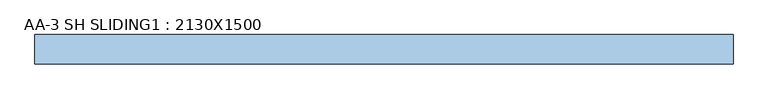
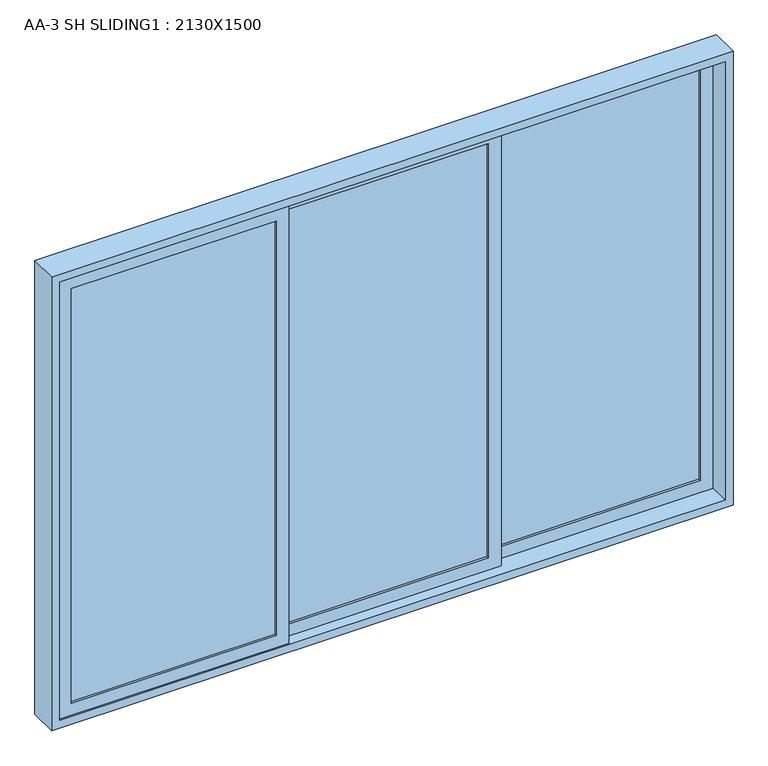
"""IFC4 building model written with IfcOpenShell, lengths in millimetres: window geometry, AA-3 SH SLIDING1 : 2130X1500."""

from ifc_helpers import new_model, si_unit, frame, origin, place, context, project, spatial, polyline, outline, extrude, source, transform, mapped, element, save


def aa_3_sh_sliding1_2130x1500_aed64d5e(model_context):
    return source(origin(), model_context, "Body", "SweptSolid", [
        extrude(outline(polyline([(920.0, 33.0), (920.0, 27.0), (280.0, 27.0), (280.0, 33.0), (920.0, 33.0)])), frame((0.0, 0.0, 965.0), z_axis=(0.0, 0.0, 1.0), x_axis=(1.0, 0.0, 0.0)), (0.0, 0.0, 1.0), 1370.0),
        extrude(outline(polyline([(240.0, 3.0), (240.0, -3.0), (-400.0, -3.0), (-400.0, 3.0), (240.0, 3.0)])), frame((0.0, 0.0, 965.0), z_axis=(0.0, 0.0, 1.0), x_axis=(1.0, 0.0, 0.0)), (0.0, 0.0, 1.0), 1370.0),
        extrude(outline(polyline([(-440.0, -27.0), (-440.0, -33.0), (-1080.0, -33.0), (-1080.0, -27.0), (-440.0, -27.0)])), frame((0.0, 0.0, 965.0), z_axis=(0.0, 0.0, 1.0), x_axis=(1.0, 0.0, 0.0)), (0.0, 0.0, 1.0), 1370.0),
        extrude(outline(polyline([(2375.0, 960.0), (2375.0, 240.0), (925.0, 240.0), (925.0, 960.0), (2375.0, 960.0)]), holes=[polyline([(2335.0, 920.0), (965.0, 920.0), (965.0, 280.0), (2335.0, 280.0), (2335.0, 920.0)])]), frame((0.0, 20.0, 0.0), z_axis=(0.0, 1.0, 0.0), x_axis=(0.0, 0.0, 1.0)), (0.0, 0.0, 1.0), 20.0),
        extrude(outline(polyline([(2375.0, 280.0), (2375.0, -440.0), (925.0, -440.0), (925.0, 280.0), (2375.0, 280.0)]), holes=[polyline([(2335.0, -400.0), (2335.0, 240.0), (965.0, 240.0), (965.0, -400.0), (2335.0, -400.0)])]), frame((0.0, -10.0, 0.0), z_axis=(0.0, 1.0, 0.0), x_axis=(0.0, 0.0, 1.0)), (0.0, 0.0, 1.0), 20.0),
        extrude(outline(polyline([(2375.0, -400.0), (2375.0, -1120.0), (925.0, -1120.0), (925.0, -400.0), (2375.0, -400.0)]), holes=[polyline([(2335.0, -440.0), (965.0, -440.0), (965.0, -1080.0), (2335.0, -1080.0), (2335.0, -440.0)])]), frame((0.0, -40.0, 0.0), z_axis=(0.0, 1.0, 0.0), x_axis=(0.0, 0.0, 1.0)), (0.0, 0.0, 1.0), 20.0),
        extrude(outline(polyline([(2400.0, -1145.0), (900.0, -1145.0), (900.0, 985.0), (2400.0, 985.0), (2400.0, -1145.0)]), holes=[polyline([(2375.0, -1120.0), (2375.0, 960.0), (925.0, 960.0), (925.0, -1120.0), (2375.0, -1120.0)])]), frame((0.0, -45.0, 0.0), z_axis=(0.0, 1.0, 0.0), x_axis=(0.0, 0.0, 1.0)), (0.0, 0.0, 1.0), 90.0),
    ])


if __name__ == "__main__":
    model = new_model("IFC4")
    model_context = context("Model", 3, world=origin())
    ifc_project = project(units=[si_unit("LENGTHUNIT", "METRE", prefix="MILLI")], contexts=[model_context])
    site = spatial("IfcSite", under=ifc_project)
    building = spatial("IfcBuilding", under=site)
    placement = place(None, origin())
    aa_3_sh_sliding1_2130x1500_shape = aa_3_sh_sliding1_2130x1500_aed64d5e(model_context)
    element("IfcWindow", 1, ObjectType="AA-3 SH SLIDING1 : 2130X1500", at=placement, inside=building, context=model_context, shape_type="MappedRepresentation", body=[
        mapped(aa_3_sh_sliding1_2130x1500_shape, transform((0.0, 0.0, 0.0), x_axis=(1.0, 0.0, 0.0), y_axis=(0.0, 1.0, 0.0), z_axis=(0.0, 0.0, 1.0))),
    ])
    save(model, "model.ifc")
